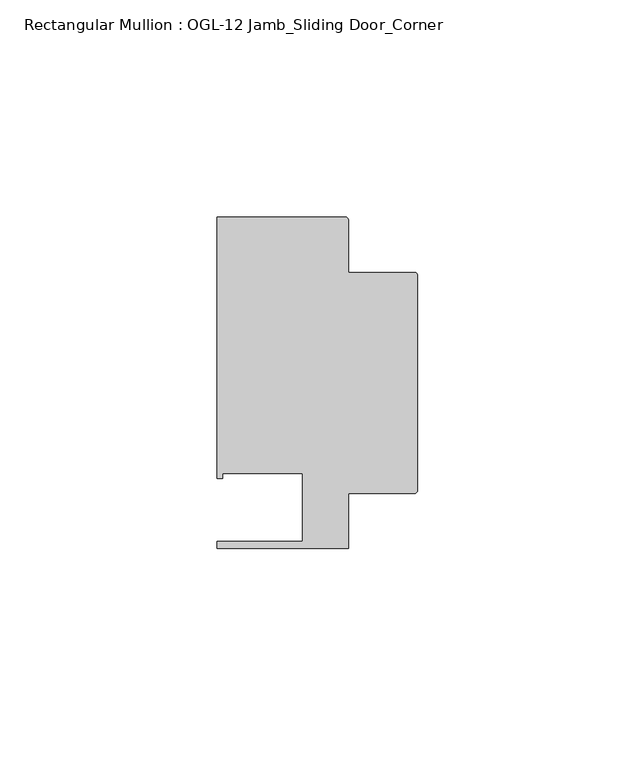
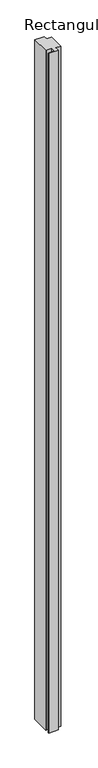
"""IFC4 building model written with IfcOpenShell, lengths in millimetres: member geometry, Rectangular Mullion : OGL-12 Jamb_Sliding Door_Corner."""

from ifc_helpers import new_model, si_unit, point, frame, frame_2d, origin, place, context, project, spatial, polyline, circle_curve, trimmed, segment, composite_curve, outline, extrude, source, transform, mapped, element, save


def rectangular_mullion_ogl_12_jamb_sliding_door_corner_af85b807(model_context):
    return source(origin(), model_context, "Body", "SweptSolid", [
        extrude(outline(composite_curve([segment(trimmed(circle_curve(frame_2d((-0.5953125, 54.9671875)), 0.5953125), [point((-0.5953125, 55.5625))], [point((0.0, 54.9671875))], False, "CARTESIAN"), True, "CONTINUOUS"), segment(polyline([(0.0, 54.9671875), (0.0, 5.3578125)]), True, "CONTINUOUS"), segment(trimmed(circle_curve(frame_2d((-0.5953125, 5.3578125)), 0.5953125), [point((0.0, 5.3578125))], [point((-0.5953125, 4.7625))], False, "CARTESIAN"), True, "CONTINUOUS"), segment(polyline([(-0.5953125, 4.7625), (-15.8750672, 4.7625), (-15.8750672, -7.937516), (-46.0248655, -7.937516), (-46.0248655, -6.350016), (-26.3720794, -6.350016), (-26.3720794, 9.3367652), (-44.7780305, 9.3367652), (-44.7780305, 8.1914024), (-46.0339598, 8.1914024), (-46.0339598, 68.2621792), (-16.4703797, 68.2621792)]), True, "CONTINUOUS"), segment(trimmed(circle_curve(frame_2d((-16.4703797, 67.6668667)), 0.5953125), [point((-16.4703797, 68.2621792))], [point((-15.8750672, 67.6668667))], False, "CARTESIAN"), True, "CONTINUOUS"), segment(polyline([(-15.8750672, 67.6668667), (-15.8750672, 55.5625), (-0.5953125, 55.5625)]), True, "CONTINUOUS")], self_intersect=False)), frame((0.0, 0.0, -2303.3985282), z_axis=(0.0, 0.0, 1.0), x_axis=(1.0, 0.0, 0.0)), (0.0, 0.0, 1.0), 2303.3985282),
    ])


if __name__ == "__main__":
    model = new_model("IFC4")
    model_context = context("Model", 3, world=origin())
    ifc_project = project(units=[si_unit("LENGTHUNIT", "METRE", prefix="MILLI")], contexts=[model_context])
    site = spatial("IfcSite", under=ifc_project)
    building = spatial("IfcBuilding", under=site)
    placement = place(None, origin())
    rectangular_mullion_ogl_12_jamb_sliding_door_corner_shape = rectangular_mullion_ogl_12_jamb_sliding_door_corner_af85b807(model_context)
    element("IfcMember", 1, ObjectType="Rectangular Mullion : OGL-12 Jamb_Sliding Door_Corner", at=placement, inside=building, context=model_context, shape_type="MappedRepresentation", body=[
        mapped(rectangular_mullion_ogl_12_jamb_sliding_door_corner_shape, transform((0.0, 0.0, 0.0), x_axis=(1.0, 0.0, 0.0), y_axis=(0.0, 1.0, 0.0), z_axis=(0.0, 0.0, 1.0))),
    ])
    save(model, "model.ifc")
